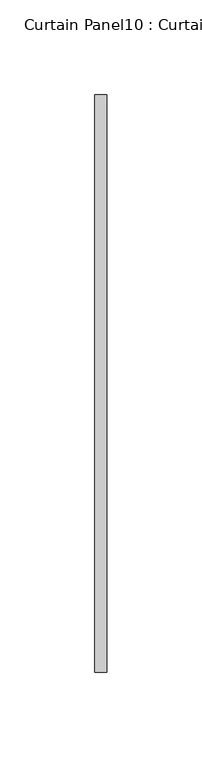
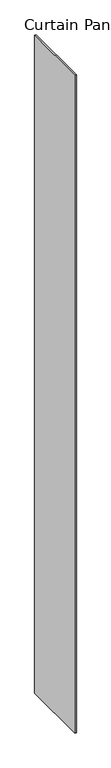
"""IFC4 building model written with IfcOpenShell, lengths in millimetres: plate geometry, Curtain Panel10 : Curtain Panel."""

from ifc_helpers import new_model, si_unit, origin, origin_with_axes, place, context, project, spatial, polyline, outline, extrude, source, transform, mapped, element, save


def curtain_panel10_curtain_panel_6e8a075a(model_context):
    return source(origin(), model_context, "Body", "SweptSolid", [
        extrude(outline(polyline([(148731.9920608, 2030.7041784), (148731.9920608, 2335.5041784), (148738.3420608, 2335.5041784), (148738.3420608, 2030.7041784), (148731.9920608, 2030.7041784)])), origin_with_axes(), (0.0, 0.0, 1.0), 3048.0),
    ])


if __name__ == "__main__":
    model = new_model("IFC4")
    model_context = context("Model", 3, world=origin())
    ifc_project = project(units=[si_unit("LENGTHUNIT", "METRE", prefix="MILLI")], contexts=[model_context])
    site = spatial("IfcSite", under=ifc_project)
    building = spatial("IfcBuilding", under=site)
    placement = place(None, origin())
    curtain_panel10_curtain_panel_shape = curtain_panel10_curtain_panel_6e8a075a(model_context)
    element("IfcPlate", 1, ObjectType="Curtain Panel10 : Curtain Panel", at=placement, inside=building, context=model_context, shape_type="MappedRepresentation", body=[
        mapped(curtain_panel10_curtain_panel_shape, transform((0.0, 0.0, 0.0), x_axis=(1.0, 0.0, 0.0), y_axis=(0.0, 1.0, 0.0), z_axis=(0.0, 0.0, 1.0))),
    ])
    save(model, "model.ifc")
